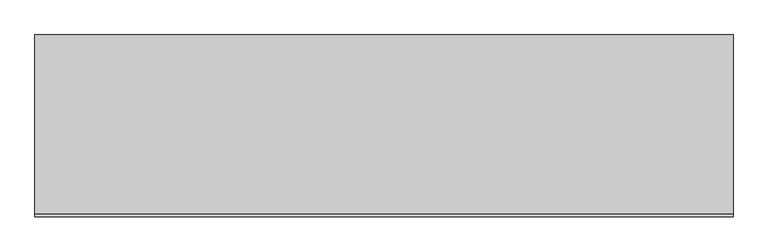
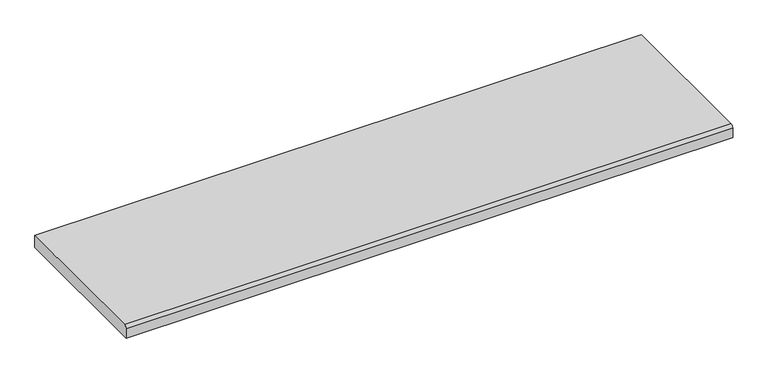
"""IFC4 building model written with IfcOpenShell, lengths in millimetres: furniture geometry."""

from ifc_helpers import new_model, si_unit, point, frame, frame_2d, origin, place, context, project, spatial, polyline, circle_curve, trimmed, segment, composite_curve, outline, extrude, source, transform, mapped, element, save


def furniture_78d58e02(model_context):
    return source(origin(), model_context, "Body", "SweptSolid", [
        extrude(outline(composite_curve([segment(polyline([(-162.941, 736.727), (148.971, 736.727), (148.971, 711.327), (-168.529, 711.327), (-168.529, 731.139)]), True, "CONTINUOUS"), segment(trimmed(circle_curve(frame_2d((-162.941, 731.139)), 5.588), [point((-168.529, 731.139))], [point((-162.941, 736.727))], False, "CARTESIAN"), True, "CONTINUOUS")], self_intersect=False)), frame((-609.6, 0.0, 0.0), z_axis=(1.0, 0.0, 0.0), x_axis=(0.0, 1.0, 0.0)), (0.0, 0.0, 1.0), 1219.2),
    ])


if __name__ == "__main__":
    model = new_model("IFC4")
    model_context = context("Model", 3, world=origin())
    ifc_project = project(units=[si_unit("LENGTHUNIT", "METRE", prefix="MILLI")], contexts=[model_context])
    site = spatial("IfcSite", under=ifc_project)
    building = spatial("IfcBuilding", under=site)
    placement = place(None, origin())
    furniture_shape = furniture_78d58e02(model_context)
    element("IfcFurniture", 1, at=placement, inside=building, context=model_context, shape_type="MappedRepresentation", body=[
        mapped(furniture_shape, transform((0.0, 0.0, 0.0), x_axis=(1.0, 0.0, 0.0), y_axis=(0.0, 1.0, 0.0), z_axis=(0.0, 0.0, 1.0))),
    ])
    save(model, "model.ifc")
